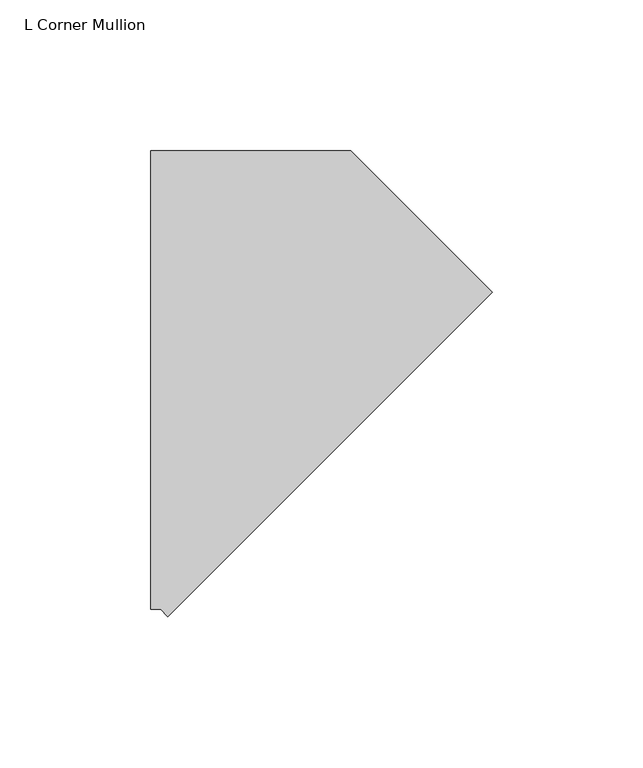
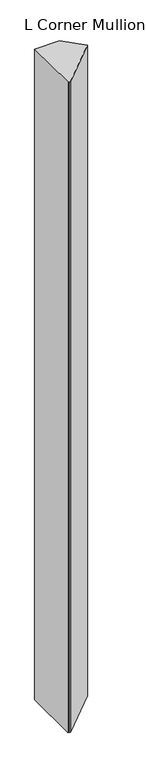
"""IFC4 building model written with IfcOpenShell, lengths in millimetres: member geometry, L Corner Mullion."""

from ifc_helpers import new_model, si_unit, frame, origin, place, context, project, spatial, polyline, outline, extrude, source, transform, mapped, element, save


def l_corner_mullion_c4ffa398(model_context):
    return source(origin(), model_context, "Body", "SweptSolid", [
        extrude(outline(polyline([(-44.9673691, -116.6772411), (-47.3446102, -114.3), (-50.7065367, -114.3), (-50.7065367, 38.1), (15.7815367, 38.1), (62.7957043, -8.9141676), (-44.9673691, -116.6772411)])), frame((0.0, 0.0, -1828.8), z_axis=(0.0, 0.0, 1.0), x_axis=(1.0, 0.0, 0.0)), (0.0, 0.0, 1.0), 1828.8),
    ])


if __name__ == "__main__":
    model = new_model("IFC4")
    model_context = context("Model", 3, world=origin())
    ifc_project = project(units=[si_unit("LENGTHUNIT", "METRE", prefix="MILLI")], contexts=[model_context])
    site = spatial("IfcSite", under=ifc_project)
    building = spatial("IfcBuilding", under=site)
    placement = place(None, origin())
    l_corner_mullion_shape = l_corner_mullion_c4ffa398(model_context)
    element("IfcMember", 1, ObjectType="L Corner Mullion", at=placement, inside=building, context=model_context, shape_type="MappedRepresentation", body=[
        mapped(l_corner_mullion_shape, transform((0.0, 0.0, 0.0), x_axis=(1.0, 0.0, 0.0), y_axis=(0.0, 1.0, 0.0), z_axis=(0.0, 0.0, 1.0))),
    ])
    save(model, "model.ifc")
